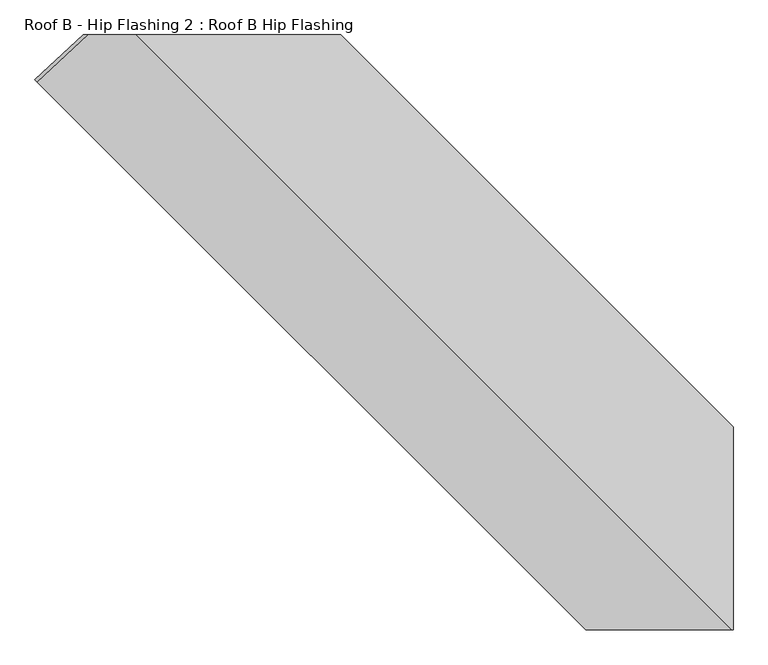
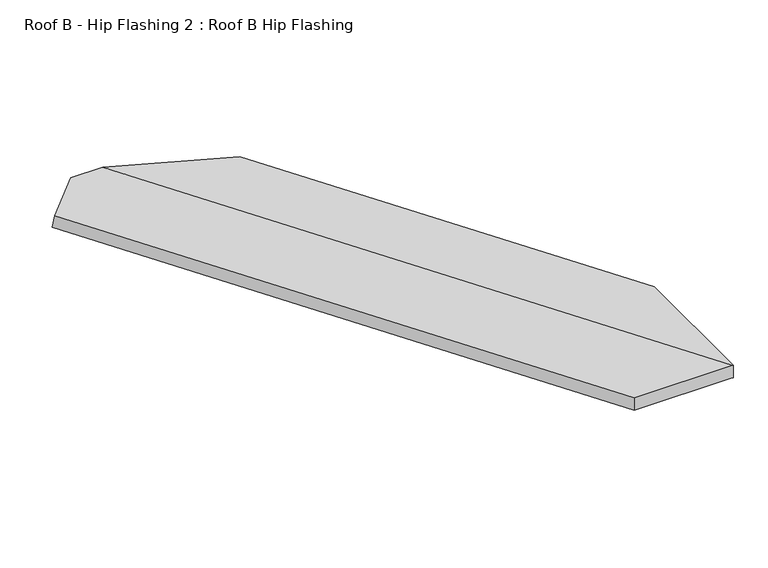
"""IFC4 building model written with IfcOpenShell, lengths in millimetres: proxy geometry, Roof B - Hip Flashing 2 : Roof B Hip Flashing."""

import ifcopenshell
import ifcopenshell.guid

model = None  # the IFC model being written
_history = None  # IfcOwnerHistory: only IFC2X3 demands one
_inside = {}  # id of a spatial element -> (the spatial element, [elements in it])
_under = {}  # id of a project, library or spatial element -> (it, [spatial elements below it])
_declared = {}  # id of a project -> (the project, [libraries it declares])
_typed = {}  # id of a type object -> (the type object, [elements of that type])
_made_of = {}  # id of a material, layer set ... -> (it, [elements and type objects made of it])


def new_model(schema):
    """Start an empty IFC model of exactly this schema.

    Asked for "IFC4X3", IfcOpenShell would pick the latest addendum, in which some entities
    have other attributes; the version numbers below select the first issue.
    IFC2X3 requires an IfcOwnerHistory on every rooted entity: one is made here for all.
    """
    global model, _history
    if schema == "IFC4X3":
        model = ifcopenshell.file(schema_version=(4, 3, 0, 0))
    else:
        model = ifcopenshell.file(schema=schema)
    _inside.clear()
    _under.clear()
    _declared.clear()
    _typed.clear()
    _made_of.clear()
    _history = None
    if model.schema == "IFC2X3":
        org = make("IfcOrganization", Name="unknown")
        user = make(
            "IfcPersonAndOrganization",
            ThePerson=make("IfcPerson", FamilyName="unknown"),
            TheOrganization=org,
        )
        app = make(
            "IfcApplication",
            ApplicationDeveloper=org,
            Version="unknown",
            ApplicationFullName="unknown",
            ApplicationIdentifier="unknown",
        )
        _history = make(
            "IfcOwnerHistory",
            OwningUser=user,
            OwningApplication=app,
            ChangeAction="ADDED",
            CreationDate=0,
        )
    return model


def make(cls, **values):
    """One entity of the class cls with the attributes given. An attribute that is None is left unset."""
    return model.create_entity(
        cls, **{name: value for name, value in values.items() if value is not None}
    )


def rooted(cls, **values):
    """An entity with a GlobalId (a new one), such as an element, a storey or a relation."""
    return make(cls, GlobalId=ifcopenshell.guid.new(), OwnerHistory=_history, **values)


def si_unit(unit_type, name, prefix=None):
    """IfcSIUnit, for example si_unit("LENGTHUNIT", "METRE", prefix="MILLI")."""
    return make("IfcSIUnit", UnitType=unit_type, Prefix=prefix, Name=name)


def assignment(units):
    """IfcUnitAssignment: the units of a project."""
    return None if units is None else make("IfcUnitAssignment", Units=units)


def point(xyz):
    """IfcCartesianPoint."""
    return None if xyz is None else make("IfcCartesianPoint", Coordinates=xyz)


def direction(xyz):
    """IfcDirection."""
    return None if xyz is None else make("IfcDirection", DirectionRatios=xyz)


def frame(location, z_axis=None, x_axis=None):
    """IfcAxis2Placement3D, a coordinate frame: its origin and axes. An axis left out is left unset."""
    return make(
        "IfcAxis2Placement3D",
        Location=point(location),
        Axis=direction(z_axis),
        RefDirection=direction(x_axis),
    )


def origin():
    """The frame at (0, 0, 0) with its axes left unset."""
    return frame((0.0, 0.0, 0.0))


def place(relative_to, where):
    """IfcLocalPlacement: puts the frame where relative to a parent placement (None: the world)."""
    return make(
        "IfcLocalPlacement", PlacementRelTo=relative_to, RelativePlacement=where
    )


def context(
    kind, dimensions, precision=None, world=None, true_north=None, identifier=None
):
    """IfcGeometricRepresentationContext, for example the 3D "Model" context."""
    return make(
        "IfcGeometricRepresentationContext",
        ContextIdentifier=identifier,
        ContextType=kind,
        CoordinateSpaceDimension=dimensions,
        Precision=precision,
        WorldCoordinateSystem=world,
        TrueNorth=true_north,
    )


def project(units=None, contexts=None):
    """IfcProject with its units and contexts."""
    return rooted(
        "IfcProject",
        Name="project",
        RepresentationContexts=contexts,
        UnitsInContext=assignment(units),
    )


def spatial(cls, under=None, at=None, **own):
    """A site, building, storey or space (cls), placed at a placement, below another one or the project."""
    s = rooted(cls, ObjectPlacement=at, **own)
    if under is not None:
        _under.setdefault(under.id(), (under, []))[1].append(s)
    return s


def faces_of(points, faces, orient=None, outer=None):
    """IfcFace entities. A face is a list of loops; a loop is a list of indices into points, from 0.

    orient and outer hold one flag for each loop. By default every Orientation is true, the
    first loop of a face is its IfcFaceOuterBound and the others are IfcFaceBound.
    """
    made = []
    for i, loops in enumerate(faces):
        bounds = []
        for j, loop in enumerate(loops):
            is_outer = j == 0 if outer is None else outer[i][j]
            bounds.append(
                make(
                    "IfcFaceOuterBound" if is_outer else "IfcFaceBound",
                    Bound=make("IfcPolyLoop", Polygon=[points[k] for k in loop]),
                    Orientation=True if orient is None else orient[i][j],
                )
            )
        made.append(make("IfcFace", Bounds=bounds))
    return made


def faceted_brep(points, faces, orient=None, outer=None, voids=None):
    """IfcFacetedBrep: a solid bounded by flat faces; with voids (closed shells), ...WithVoids."""
    shared = [point(p) for p in points]
    hull = make("IfcClosedShell", CfsFaces=faces_of(shared, faces, orient, outer))
    if voids is None:
        return make("IfcFacetedBrep", Outer=hull)
    return make(
        "IfcFacetedBrepWithVoids",
        Outer=hull,
        Voids=[
            make(cls, CfsFaces=faces_of(shared, fs, o, b)) for cls, fs, o, b in voids
        ],
    )


def shape(context_of_items, identifier, shape_type, items):
    """IfcShapeRepresentation: the items that make up one representation, for example the "Body"."""
    return make(
        "IfcShapeRepresentation",
        ContextOfItems=context_of_items,
        RepresentationIdentifier=identifier,
        RepresentationType=shape_type,
        Items=items,
    )


def source(mapping_origin, context_of_items, identifier, shape_type, items):
    """IfcRepresentationMap: a shape defined once, which mapped items show again and again."""
    return make(
        "IfcRepresentationMap",
        MappingOrigin=mapping_origin,
        MappedRepresentation=shape(context_of_items, identifier, shape_type, items),
    )


def transform(
    local_origin,
    x_axis=None,
    y_axis=None,
    z_axis=None,
    scale=None,
    scale2=None,
    scale3=None,
    uniform=True,
):
    """IfcCartesianTransformationOperator3D, or its non-uniform kind. x_axis, y_axis, z_axis: its Axis1, 2, 3."""
    if uniform:
        return make(
            "IfcCartesianTransformationOperator3D",
            Axis1=direction(x_axis),
            Axis2=direction(y_axis),
            LocalOrigin=point(local_origin),
            Scale=scale,
            Axis3=direction(z_axis),
        )
    return make(
        "IfcCartesianTransformationOperator3DnonUniform",
        Axis1=direction(x_axis),
        Axis2=direction(y_axis),
        LocalOrigin=point(local_origin),
        Scale=scale,
        Axis3=direction(z_axis),
        Scale2=scale2,
        Scale3=scale3,
    )


def mapped(mapping_source, mapping_target):
    """IfcMappedItem: shows the shape of a source again, moved by a transform."""
    return make(
        "IfcMappedItem", MappingSource=mapping_source, MappingTarget=mapping_target
    )


def made_of(thing, what):
    """Note that an element or type object is made of a material, layer set ...; save() writes the relation."""
    if what is not None:
        _made_of.setdefault(what.id(), (what, []))[1].append(thing)
    return thing


def element(
    cls,
    number,
    at=None,
    inside=None,
    cuts=None,
    type_object=None,
    material=None,
    context=None,
    identifier="Body",
    shape_type=None,
    held_by="IfcProductDefinitionShape",
    body=None,
    shapes=None,
    **own,
):
    """One element of the class cls, such as IfcWall. Its Tag is "e" and its number.

    at: its placement. inside: the storey or other place that contains it. cuts: it is an
    opening in that element (IfcRelVoidsElement). A single representation is given by context,
    identifier, shape_type and body (its items); several are given by shapes. held_by: the class
    of the entity that holds the representations. save() writes the other relations.
    """
    e = rooted(cls, Tag="e%d" % number, ObjectPlacement=at, **own)
    if body is not None:
        shapes = [shape(context, identifier, shape_type, body)]
    if shapes is not None:
        e.Representation = make(held_by, Representations=shapes)
    if inside is not None:
        _inside.setdefault(inside.id(), (inside, []))[1].append(e)
    if cuts is not None:
        rooted(
            "IfcRelVoidsElement", RelatingBuildingElement=cuts, RelatedOpeningElement=e
        )
    if type_object is not None:
        _typed.setdefault(type_object.id(), (type_object, []))[1].append(e)
    return made_of(e, material)


def aggregate(whole, parts):
    """IfcRelAggregates: a whole, such as a stair, and the parts it consists of."""
    return rooted("IfcRelAggregates", RelatingObject=whole, RelatedObjects=parts)


def save(model, path):
    """Write the relations noted so far, then the file.

    IfcRelAggregates (storeys below a building ...), IfcRelContainedInSpatialStructure (elements
    in a storey), IfcRelDefinesByType, IfcRelAssociatesMaterial and IfcRelDeclares: one each for
    every whole, place, type object, material and project.
    """
    for whole, parts in _under.values():
        aggregate(whole, parts)
    for where, things in _inside.values():
        rooted(
            "IfcRelContainedInSpatialStructure",
            RelatedElements=things,
            RelatingStructure=where,
        )
    for kind, things in _typed.values():
        rooted("IfcRelDefinesByType", RelatedObjects=things, RelatingType=kind)
    for what, things in _made_of.values():
        rooted("IfcRelAssociatesMaterial", RelatedObjects=things, RelatingMaterial=what)
    for by, libraries in _declared.values():
        rooted("IfcRelDeclares", RelatingContext=by, RelatedDefinitions=libraries)
    model.write(path)


def roof_b_hip_flashing_2_roof_b_hip_flashing_0ca24e31(model_context):
    return source(origin(), model_context, "Body", "Brep", [
        faceted_brep([(2997.0405716, -3403.4547231, 3588.3395553), (3002.9737333, -3409.3878847, 3632.6252769), (3120.7391864, -3299.5112211, 3662.0666402), (3108.4468813, -3299.5112211, 3616.1911327), (3705.2141237, -3299.5112211, 3489.2228774), (3705.2141237, -3299.5112211, 3535.1026447), (4612.3647416, -4206.661839, 3292.0323692), (4612.3647416, -4206.661839, 3246.1526019), (3231.3780417, -3299.5112211, 3662.0666402), (4609.268118, -4677.4012974, 3292.862107), (4612.3647416, -4677.4012974, 3292.0323692), (4270.9871459, -4677.4012974, 3292.862107), (4270.9871459, -4677.4012974, 3246.9865995), (4609.25222, -4677.4012974, 3246.9865995), (3231.3621437, -3299.5112211, 3616.1911327), (4612.3647416, -4677.4012974, 3246.1526019)], [[[0, 1, 2, 3]], [[4, 5, 6, 7]], [[8, 9, 10, 6, 5]], [[1, 11, 9, 8, 2]], [[1, 0, 12, 11]], [[13, 14, 4, 7, 15]], [[12, 0, 3, 14, 13]], [[9, 11, 12, 13, 15, 10]], [[3, 2, 8, 5, 4, 14]], [[7, 6, 10, 15]]]),
    ])


if __name__ == "__main__":
    model = new_model("IFC4")
    model_context = context("Model", 3, world=origin())
    ifc_project = project(units=[si_unit("LENGTHUNIT", "METRE", prefix="MILLI")], contexts=[model_context])
    site = spatial("IfcSite", under=ifc_project)
    building = spatial("IfcBuilding", under=site)
    placement = place(None, origin())
    roof_b_hip_flashing_2_roof_b_hip_flashing_shape = roof_b_hip_flashing_2_roof_b_hip_flashing_0ca24e31(model_context)
    element("IfcBuildingElementProxy", 1, Name="Roof B - Hip Flashing 2 : Roof B Hip Flashing", ObjectType="Roof B - Hip Flashing 2 : Roof B Hip Flashing", at=placement, inside=building, context=model_context, shape_type="MappedRepresentation", body=[
        mapped(roof_b_hip_flashing_2_roof_b_hip_flashing_shape, transform((0.0, 0.0, 0.0), x_axis=(1.0, 0.0, 0.0), y_axis=(0.0, 1.0, 0.0), z_axis=(0.0, 0.0, 1.0))),
    ])
    save(model, "model.ifc")
